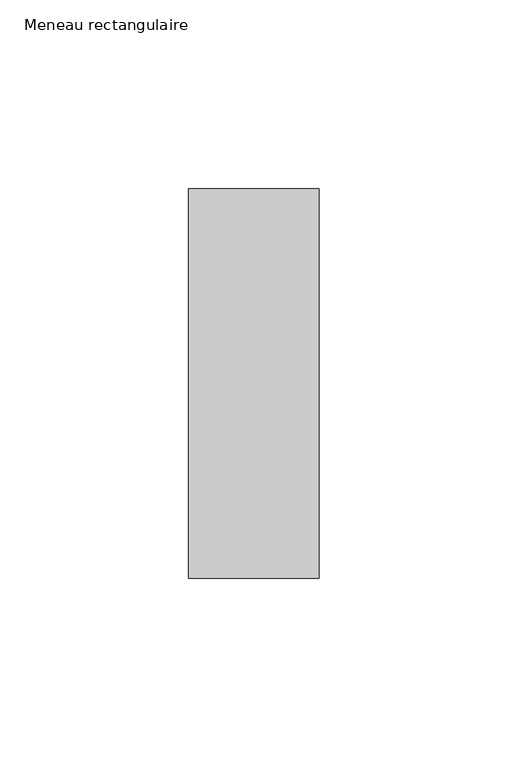
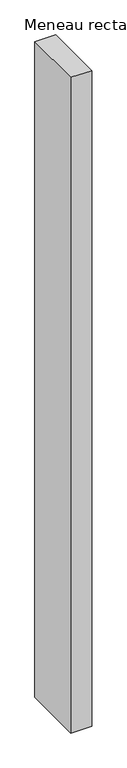
"""IFC4 building model written with IfcOpenShell, lengths in millimetres: member geometry, Meneau rectangulaire."""

import ifcopenshell
import ifcopenshell.guid

model = None  # the IFC model being written
_history = None  # IfcOwnerHistory: only IFC2X3 demands one
_inside = {}  # id of a spatial element -> (the spatial element, [elements in it])
_under = {}  # id of a project, library or spatial element -> (it, [spatial elements below it])
_declared = {}  # id of a project -> (the project, [libraries it declares])
_typed = {}  # id of a type object -> (the type object, [elements of that type])
_made_of = {}  # id of a material, layer set ... -> (it, [elements and type objects made of it])


def new_model(schema):
    """Start an empty IFC model of exactly this schema.

    Asked for "IFC4X3", IfcOpenShell would pick the latest addendum, in which some entities
    have other attributes; the version numbers below select the first issue.
    IFC2X3 requires an IfcOwnerHistory on every rooted entity: one is made here for all.
    """
    global model, _history
    if schema == "IFC4X3":
        model = ifcopenshell.file(schema_version=(4, 3, 0, 0))
    else:
        model = ifcopenshell.file(schema=schema)
    _inside.clear()
    _under.clear()
    _declared.clear()
    _typed.clear()
    _made_of.clear()
    _history = None
    if model.schema == "IFC2X3":
        org = make("IfcOrganization", Name="unknown")
        user = make(
            "IfcPersonAndOrganization",
            ThePerson=make("IfcPerson", FamilyName="unknown"),
            TheOrganization=org,
        )
        app = make(
            "IfcApplication",
            ApplicationDeveloper=org,
            Version="unknown",
            ApplicationFullName="unknown",
            ApplicationIdentifier="unknown",
        )
        _history = make(
            "IfcOwnerHistory",
            OwningUser=user,
            OwningApplication=app,
            ChangeAction="ADDED",
            CreationDate=0,
        )
    return model


def make(cls, **values):
    """One entity of the class cls with the attributes given. An attribute that is None is left unset."""
    return model.create_entity(
        cls, **{name: value for name, value in values.items() if value is not None}
    )


def rooted(cls, **values):
    """An entity with a GlobalId (a new one), such as an element, a storey or a relation."""
    return make(cls, GlobalId=ifcopenshell.guid.new(), OwnerHistory=_history, **values)


def si_unit(unit_type, name, prefix=None):
    """IfcSIUnit, for example si_unit("LENGTHUNIT", "METRE", prefix="MILLI")."""
    return make("IfcSIUnit", UnitType=unit_type, Prefix=prefix, Name=name)


def assignment(units):
    """IfcUnitAssignment: the units of a project."""
    return None if units is None else make("IfcUnitAssignment", Units=units)


def point(xyz):
    """IfcCartesianPoint."""
    return None if xyz is None else make("IfcCartesianPoint", Coordinates=xyz)


def direction(xyz):
    """IfcDirection."""
    return None if xyz is None else make("IfcDirection", DirectionRatios=xyz)


def frame(location, z_axis=None, x_axis=None):
    """IfcAxis2Placement3D, a coordinate frame: its origin and axes. An axis left out is left unset."""
    return make(
        "IfcAxis2Placement3D",
        Location=point(location),
        Axis=direction(z_axis),
        RefDirection=direction(x_axis),
    )


def origin():
    """The frame at (0, 0, 0) with its axes left unset."""
    return frame((0.0, 0.0, 0.0))


def place(relative_to, where):
    """IfcLocalPlacement: puts the frame where relative to a parent placement (None: the world)."""
    return make(
        "IfcLocalPlacement", PlacementRelTo=relative_to, RelativePlacement=where
    )


def context(
    kind, dimensions, precision=None, world=None, true_north=None, identifier=None
):
    """IfcGeometricRepresentationContext, for example the 3D "Model" context."""
    return make(
        "IfcGeometricRepresentationContext",
        ContextIdentifier=identifier,
        ContextType=kind,
        CoordinateSpaceDimension=dimensions,
        Precision=precision,
        WorldCoordinateSystem=world,
        TrueNorth=true_north,
    )


def project(units=None, contexts=None):
    """IfcProject with its units and contexts."""
    return rooted(
        "IfcProject",
        Name="project",
        RepresentationContexts=contexts,
        UnitsInContext=assignment(units),
    )


def spatial(cls, under=None, at=None, **own):
    """A site, building, storey or space (cls), placed at a placement, below another one or the project."""
    s = rooted(cls, ObjectPlacement=at, **own)
    if under is not None:
        _under.setdefault(under.id(), (under, []))[1].append(s)
    return s


def polyline(points):
    """IfcPolyline through the points."""
    return make("IfcPolyline", Points=[point(p) for p in points])


def outline(outer, holes=None, kind="AREA"):
    """IfcArbitraryClosedProfileDef: a profile drawn as a closed curve; with holes, ...WithVoids."""
    if holes is None:
        return make("IfcArbitraryClosedProfileDef", ProfileType=kind, OuterCurve=outer)
    return make(
        "IfcArbitraryProfileDefWithVoids",
        ProfileType=kind,
        OuterCurve=outer,
        InnerCurves=holes,
    )


def extrude(swept, where, along, depth):
    """IfcExtrudedAreaSolid: the profile swept, set in the frame where, extruded along a direction by depth."""
    return make(
        "IfcExtrudedAreaSolid",
        SweptArea=swept,
        Position=where,
        ExtrudedDirection=direction(along),
        Depth=depth,
    )


def shape(context_of_items, identifier, shape_type, items):
    """IfcShapeRepresentation: the items that make up one representation, for example the "Body"."""
    return make(
        "IfcShapeRepresentation",
        ContextOfItems=context_of_items,
        RepresentationIdentifier=identifier,
        RepresentationType=shape_type,
        Items=items,
    )


def source(mapping_origin, context_of_items, identifier, shape_type, items):
    """IfcRepresentationMap: a shape defined once, which mapped items show again and again."""
    return make(
        "IfcRepresentationMap",
        MappingOrigin=mapping_origin,
        MappedRepresentation=shape(context_of_items, identifier, shape_type, items),
    )


def transform(
    local_origin,
    x_axis=None,
    y_axis=None,
    z_axis=None,
    scale=None,
    scale2=None,
    scale3=None,
    uniform=True,
):
    """IfcCartesianTransformationOperator3D, or its non-uniform kind. x_axis, y_axis, z_axis: its Axis1, 2, 3."""
    if uniform:
        return make(
            "IfcCartesianTransformationOperator3D",
            Axis1=direction(x_axis),
            Axis2=direction(y_axis),
            LocalOrigin=point(local_origin),
            Scale=scale,
            Axis3=direction(z_axis),
        )
    return make(
        "IfcCartesianTransformationOperator3DnonUniform",
        Axis1=direction(x_axis),
        Axis2=direction(y_axis),
        LocalOrigin=point(local_origin),
        Scale=scale,
        Axis3=direction(z_axis),
        Scale2=scale2,
        Scale3=scale3,
    )


def mapped(mapping_source, mapping_target):
    """IfcMappedItem: shows the shape of a source again, moved by a transform."""
    return make(
        "IfcMappedItem", MappingSource=mapping_source, MappingTarget=mapping_target
    )


def made_of(thing, what):
    """Note that an element or type object is made of a material, layer set ...; save() writes the relation."""
    if what is not None:
        _made_of.setdefault(what.id(), (what, []))[1].append(thing)
    return thing


def element(
    cls,
    number,
    at=None,
    inside=None,
    cuts=None,
    type_object=None,
    material=None,
    context=None,
    identifier="Body",
    shape_type=None,
    held_by="IfcProductDefinitionShape",
    body=None,
    shapes=None,
    **own,
):
    """One element of the class cls, such as IfcWall. Its Tag is "e" and its number.

    at: its placement. inside: the storey or other place that contains it. cuts: it is an
    opening in that element (IfcRelVoidsElement). A single representation is given by context,
    identifier, shape_type and body (its items); several are given by shapes. held_by: the class
    of the entity that holds the representations. save() writes the other relations.
    """
    e = rooted(cls, Tag="e%d" % number, ObjectPlacement=at, **own)
    if body is not None:
        shapes = [shape(context, identifier, shape_type, body)]
    if shapes is not None:
        e.Representation = make(held_by, Representations=shapes)
    if inside is not None:
        _inside.setdefault(inside.id(), (inside, []))[1].append(e)
    if cuts is not None:
        rooted(
            "IfcRelVoidsElement", RelatingBuildingElement=cuts, RelatedOpeningElement=e
        )
    if type_object is not None:
        _typed.setdefault(type_object.id(), (type_object, []))[1].append(e)
    return made_of(e, material)


def aggregate(whole, parts):
    """IfcRelAggregates: a whole, such as a stair, and the parts it consists of."""
    return rooted("IfcRelAggregates", RelatingObject=whole, RelatedObjects=parts)


def save(model, path):
    """Write the relations noted so far, then the file.

    IfcRelAggregates (storeys below a building ...), IfcRelContainedInSpatialStructure (elements
    in a storey), IfcRelDefinesByType, IfcRelAssociatesMaterial and IfcRelDeclares: one each for
    every whole, place, type object, material and project.
    """
    for whole, parts in _under.values():
        aggregate(whole, parts)
    for where, things in _inside.values():
        rooted(
            "IfcRelContainedInSpatialStructure",
            RelatedElements=things,
            RelatingStructure=where,
        )
    for kind, things in _typed.values():
        rooted("IfcRelDefinesByType", RelatedObjects=things, RelatingType=kind)
    for what, things in _made_of.values():
        rooted("IfcRelAssociatesMaterial", RelatedObjects=things, RelatingMaterial=what)
    for by, libraries in _declared.values():
        rooted("IfcRelDeclares", RelatingContext=by, RelatedDefinitions=libraries)
    model.write(path)


def meneau_rectangulaire_60a61431(model_context):
    return source(origin(), model_context, "Body", "SweptSolid", [
        extrude(outline(polyline([(-34.5, 51.5), (0.0, 51.5), (0.0, -51.5), (-34.5, -51.5), (-34.5, 51.5)])), frame((0.0, 0.0, -1147.8214288), z_axis=(0.0, 0.0, 1.0), x_axis=(1.0, 0.0, 0.0)), (0.0, 0.0, 1.0), 1147.8214288),
    ])


if __name__ == "__main__":
    model = new_model("IFC4")
    model_context = context("Model", 3, world=origin())
    ifc_project = project(units=[si_unit("LENGTHUNIT", "METRE", prefix="MILLI")], contexts=[model_context])
    site = spatial("IfcSite", under=ifc_project)
    building = spatial("IfcBuilding", under=site)
    placement = place(None, origin())
    meneau_rectangulaire_shape = meneau_rectangulaire_60a61431(model_context)
    element("IfcMember", 1, ObjectType="Meneau rectangulaire", at=placement, inside=building, context=model_context, shape_type="MappedRepresentation", body=[
        mapped(meneau_rectangulaire_shape, transform((0.0, 0.0, 0.0), x_axis=(1.0, 0.0, 0.0), y_axis=(0.0, 1.0, 0.0), z_axis=(0.0, 0.0, 1.0))),
    ])
    save(model, "model.ifc")
